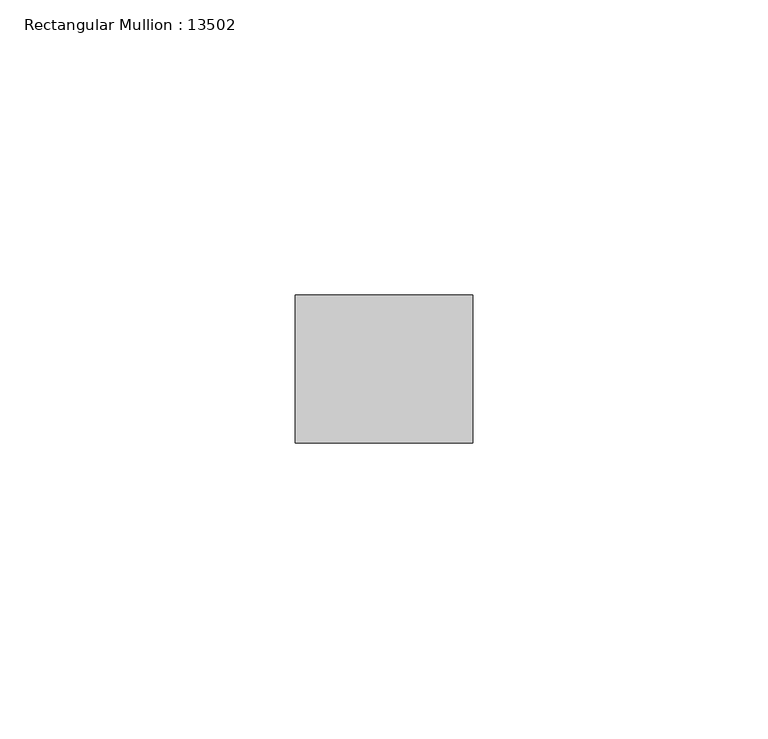
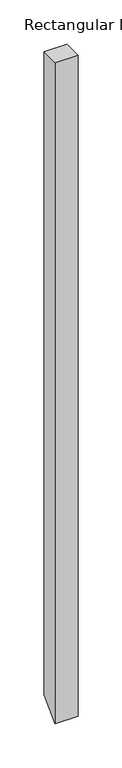
"""IFC4 building model written with IfcOpenShell, lengths in millimetres: member geometry, Rectangular Mullion : 13502."""

from ifc_helpers import new_model, si_unit, frame, origin, place, context, project, spatial, polyline, outline, extrude, source, transform, mapped, element, save


def rectangular_mullion_13502_f52fc875(model_context):
    return source(origin(), model_context, "Body", "SweptSolid", [
        extrude(outline(polyline([(-12.5, 0.0), (12.5, 0.0), (12.5, -887.5), (-12.5, -912.5), (-12.5, 0.0)])), frame((-29.9999993, 0.0, 0.0), z_axis=(1.0, 0.0, 0.0), x_axis=(0.0, 1.0, 0.0)), (0.0, 0.0, 1.0), 29.9999993),
    ])


if __name__ == "__main__":
    model = new_model("IFC4")
    model_context = context("Model", 3, world=origin())
    ifc_project = project(units=[si_unit("LENGTHUNIT", "METRE", prefix="MILLI")], contexts=[model_context])
    site = spatial("IfcSite", under=ifc_project)
    building = spatial("IfcBuilding", under=site)
    placement = place(None, origin())
    rectangular_mullion_13502_shape = rectangular_mullion_13502_f52fc875(model_context)
    element("IfcMember", 1, ObjectType="Rectangular Mullion : 13502", at=placement, inside=building, context=model_context, shape_type="MappedRepresentation", body=[
        mapped(rectangular_mullion_13502_shape, transform((0.0, 0.0, 0.0), x_axis=(1.0, 0.0, 0.0), y_axis=(0.0, 1.0, 0.0), z_axis=(0.0, 0.0, 1.0))),
    ])
    save(model, "model.ifc")
